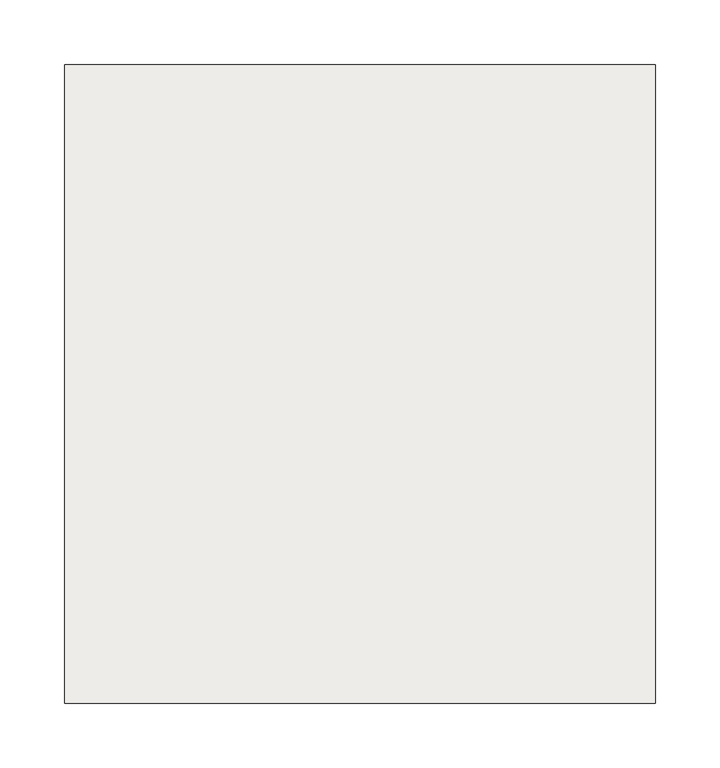
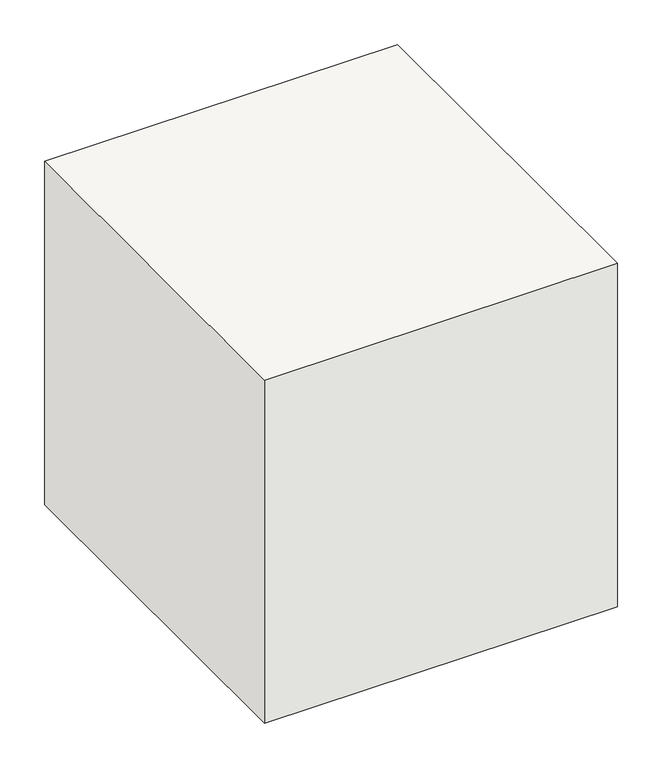
"""IFC4 building model written with IfcOpenShell, lengths in millimetres: slab geometry."""

from ifc_helpers import new_model, si_unit, frame, origin, place, context, project, spatial, polyline, outline, extrude, source, transform, mapped, element, save


def slab_1e921d0c(model_context):
    return source(origin(), model_context, "Body", "SweptSolid", [
        extrude(outline(polyline([(3243.1551397, -9742.2498715), (2785.9551397, -9742.2498715), (2785.9551397, -9248.0993774), (3243.1551397, -9248.0993774), (3243.1551397, -9742.2498715)])), frame((0.0, 0.0, -609.6), z_axis=(0.0, 0.0, 1.0), x_axis=(1.0, 0.0, 0.0)), (0.0, 0.0, 1.0), 469.9),
    ])


if __name__ == "__main__":
    model = new_model("IFC4")
    model_context = context("Model", 3, world=origin())
    ifc_project = project(units=[si_unit("LENGTHUNIT", "METRE", prefix="MILLI")], contexts=[model_context])
    site = spatial("IfcSite", under=ifc_project)
    building = spatial("IfcBuilding", under=site)
    placement = place(None, origin())
    slab_shape = slab_1e921d0c(model_context)
    element("IfcSlab", 1, at=placement, inside=building, context=model_context, shape_type="MappedRepresentation", body=[
        mapped(slab_shape, transform((0.0, 0.0, 0.0), x_axis=(1.0, 0.0, 0.0), y_axis=(0.0, 1.0, 0.0), z_axis=(0.0, 0.0, 1.0))),
    ])
    save(model, "model.ifc")
